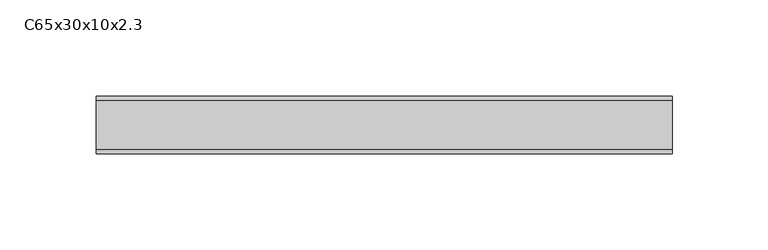
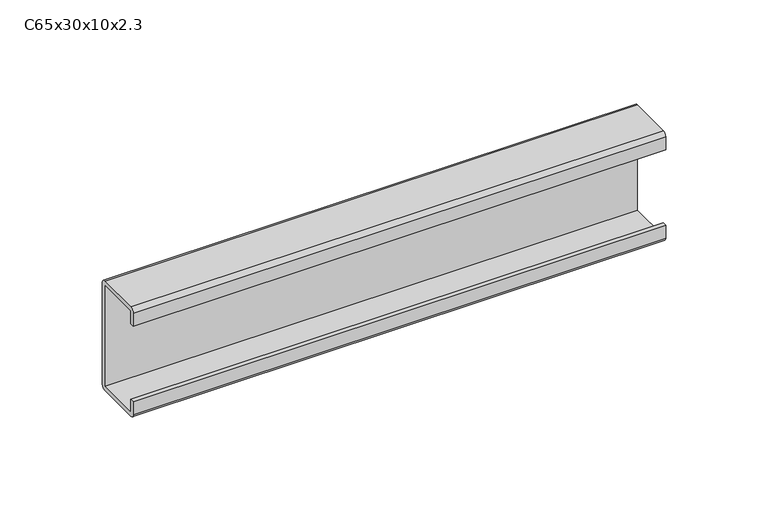
"""IFC4 building model written with IfcOpenShell, lengths in millimetres: proxy geometry, C65x30x10x2.3."""

import ifcopenshell
import ifcopenshell.guid

model = None  # the IFC model being written
_history = None  # IfcOwnerHistory: only IFC2X3 demands one
_inside = {}  # id of a spatial element -> (the spatial element, [elements in it])
_under = {}  # id of a project, library or spatial element -> (it, [spatial elements below it])
_declared = {}  # id of a project -> (the project, [libraries it declares])
_typed = {}  # id of a type object -> (the type object, [elements of that type])
_made_of = {}  # id of a material, layer set ... -> (it, [elements and type objects made of it])


def new_model(schema):
    """Start an empty IFC model of exactly this schema.

    Asked for "IFC4X3", IfcOpenShell would pick the latest addendum, in which some entities
    have other attributes; the version numbers below select the first issue.
    IFC2X3 requires an IfcOwnerHistory on every rooted entity: one is made here for all.
    """
    global model, _history
    if schema == "IFC4X3":
        model = ifcopenshell.file(schema_version=(4, 3, 0, 0))
    else:
        model = ifcopenshell.file(schema=schema)
    _inside.clear()
    _under.clear()
    _declared.clear()
    _typed.clear()
    _made_of.clear()
    _history = None
    if model.schema == "IFC2X3":
        org = make("IfcOrganization", Name="unknown")
        user = make(
            "IfcPersonAndOrganization",
            ThePerson=make("IfcPerson", FamilyName="unknown"),
            TheOrganization=org,
        )
        app = make(
            "IfcApplication",
            ApplicationDeveloper=org,
            Version="unknown",
            ApplicationFullName="unknown",
            ApplicationIdentifier="unknown",
        )
        _history = make(
            "IfcOwnerHistory",
            OwningUser=user,
            OwningApplication=app,
            ChangeAction="ADDED",
            CreationDate=0,
        )
    return model


def make(cls, **values):
    """One entity of the class cls with the attributes given. An attribute that is None is left unset."""
    return model.create_entity(
        cls, **{name: value for name, value in values.items() if value is not None}
    )


def rooted(cls, **values):
    """An entity with a GlobalId (a new one), such as an element, a storey or a relation."""
    return make(cls, GlobalId=ifcopenshell.guid.new(), OwnerHistory=_history, **values)


def si_unit(unit_type, name, prefix=None):
    """IfcSIUnit, for example si_unit("LENGTHUNIT", "METRE", prefix="MILLI")."""
    return make("IfcSIUnit", UnitType=unit_type, Prefix=prefix, Name=name)


def assignment(units):
    """IfcUnitAssignment: the units of a project."""
    return None if units is None else make("IfcUnitAssignment", Units=units)


def point(xyz):
    """IfcCartesianPoint."""
    return None if xyz is None else make("IfcCartesianPoint", Coordinates=xyz)


def direction(xyz):
    """IfcDirection."""
    return None if xyz is None else make("IfcDirection", DirectionRatios=xyz)


def frame(location, z_axis=None, x_axis=None):
    """IfcAxis2Placement3D, a coordinate frame: its origin and axes. An axis left out is left unset."""
    return make(
        "IfcAxis2Placement3D",
        Location=point(location),
        Axis=direction(z_axis),
        RefDirection=direction(x_axis),
    )


def frame_2d(location, x_axis=None):
    """IfcAxis2Placement2D, a coordinate frame in the plane: its origin and x axis."""
    return make(
        "IfcAxis2Placement2D", Location=point(location), RefDirection=direction(x_axis)
    )


def origin():
    """The frame at (0, 0, 0) with its axes left unset."""
    return frame((0.0, 0.0, 0.0))


def place(relative_to, where):
    """IfcLocalPlacement: puts the frame where relative to a parent placement (None: the world)."""
    return make(
        "IfcLocalPlacement", PlacementRelTo=relative_to, RelativePlacement=where
    )


def context(
    kind, dimensions, precision=None, world=None, true_north=None, identifier=None
):
    """IfcGeometricRepresentationContext, for example the 3D "Model" context."""
    return make(
        "IfcGeometricRepresentationContext",
        ContextIdentifier=identifier,
        ContextType=kind,
        CoordinateSpaceDimension=dimensions,
        Precision=precision,
        WorldCoordinateSystem=world,
        TrueNorth=true_north,
    )


def project(units=None, contexts=None):
    """IfcProject with its units and contexts."""
    return rooted(
        "IfcProject",
        Name="project",
        RepresentationContexts=contexts,
        UnitsInContext=assignment(units),
    )


def spatial(cls, under=None, at=None, **own):
    """A site, building, storey or space (cls), placed at a placement, below another one or the project."""
    s = rooted(cls, ObjectPlacement=at, **own)
    if under is not None:
        _under.setdefault(under.id(), (under, []))[1].append(s)
    return s


def polyline(points):
    """IfcPolyline through the points."""
    return make("IfcPolyline", Points=[point(p) for p in points])


def circle_curve(where, radius):
    """IfcCircle in the frame where."""
    return make("IfcCircle", Position=where, Radius=radius)


def trimmed(basis, trim1, trim2, sense, master):
    """IfcTrimmedCurve: the piece of a basis curve between two trims."""
    return make(
        "IfcTrimmedCurve",
        BasisCurve=basis,
        Trim1=trim1,
        Trim2=trim2,
        SenseAgreement=sense,
        MasterRepresentation=master,
    )


def segment(curve, same_sense, transition):
    """IfcCompositeCurveSegment."""
    return make(
        "IfcCompositeCurveSegment",
        Transition=transition,
        SameSense=same_sense,
        ParentCurve=curve,
    )


def composite_curve(segments, self_intersect=None):
    """IfcCompositeCurve: segments joined end to end."""
    return make("IfcCompositeCurve", Segments=segments, SelfIntersect=self_intersect)


def outline(outer, holes=None, kind="AREA"):
    """IfcArbitraryClosedProfileDef: a profile drawn as a closed curve; with holes, ...WithVoids."""
    if holes is None:
        return make("IfcArbitraryClosedProfileDef", ProfileType=kind, OuterCurve=outer)
    return make(
        "IfcArbitraryProfileDefWithVoids",
        ProfileType=kind,
        OuterCurve=outer,
        InnerCurves=holes,
    )


def extrude(swept, where, along, depth):
    """IfcExtrudedAreaSolid: the profile swept, set in the frame where, extruded along a direction by depth."""
    return make(
        "IfcExtrudedAreaSolid",
        SweptArea=swept,
        Position=where,
        ExtrudedDirection=direction(along),
        Depth=depth,
    )


def shape(context_of_items, identifier, shape_type, items):
    """IfcShapeRepresentation: the items that make up one representation, for example the "Body"."""
    return make(
        "IfcShapeRepresentation",
        ContextOfItems=context_of_items,
        RepresentationIdentifier=identifier,
        RepresentationType=shape_type,
        Items=items,
    )


def source(mapping_origin, context_of_items, identifier, shape_type, items):
    """IfcRepresentationMap: a shape defined once, which mapped items show again and again."""
    return make(
        "IfcRepresentationMap",
        MappingOrigin=mapping_origin,
        MappedRepresentation=shape(context_of_items, identifier, shape_type, items),
    )


def transform(
    local_origin,
    x_axis=None,
    y_axis=None,
    z_axis=None,
    scale=None,
    scale2=None,
    scale3=None,
    uniform=True,
):
    """IfcCartesianTransformationOperator3D, or its non-uniform kind. x_axis, y_axis, z_axis: its Axis1, 2, 3."""
    if uniform:
        return make(
            "IfcCartesianTransformationOperator3D",
            Axis1=direction(x_axis),
            Axis2=direction(y_axis),
            LocalOrigin=point(local_origin),
            Scale=scale,
            Axis3=direction(z_axis),
        )
    return make(
        "IfcCartesianTransformationOperator3DnonUniform",
        Axis1=direction(x_axis),
        Axis2=direction(y_axis),
        LocalOrigin=point(local_origin),
        Scale=scale,
        Axis3=direction(z_axis),
        Scale2=scale2,
        Scale3=scale3,
    )


def mapped(mapping_source, mapping_target):
    """IfcMappedItem: shows the shape of a source again, moved by a transform."""
    return make(
        "IfcMappedItem", MappingSource=mapping_source, MappingTarget=mapping_target
    )


def made_of(thing, what):
    """Note that an element or type object is made of a material, layer set ...; save() writes the relation."""
    if what is not None:
        _made_of.setdefault(what.id(), (what, []))[1].append(thing)
    return thing


def element(
    cls,
    number,
    at=None,
    inside=None,
    cuts=None,
    type_object=None,
    material=None,
    context=None,
    identifier="Body",
    shape_type=None,
    held_by="IfcProductDefinitionShape",
    body=None,
    shapes=None,
    **own,
):
    """One element of the class cls, such as IfcWall. Its Tag is "e" and its number.

    at: its placement. inside: the storey or other place that contains it. cuts: it is an
    opening in that element (IfcRelVoidsElement). A single representation is given by context,
    identifier, shape_type and body (its items); several are given by shapes. held_by: the class
    of the entity that holds the representations. save() writes the other relations.
    """
    e = rooted(cls, Tag="e%d" % number, ObjectPlacement=at, **own)
    if body is not None:
        shapes = [shape(context, identifier, shape_type, body)]
    if shapes is not None:
        e.Representation = make(held_by, Representations=shapes)
    if inside is not None:
        _inside.setdefault(inside.id(), (inside, []))[1].append(e)
    if cuts is not None:
        rooted(
            "IfcRelVoidsElement", RelatingBuildingElement=cuts, RelatedOpeningElement=e
        )
    if type_object is not None:
        _typed.setdefault(type_object.id(), (type_object, []))[1].append(e)
    return made_of(e, material)


def aggregate(whole, parts):
    """IfcRelAggregates: a whole, such as a stair, and the parts it consists of."""
    return rooted("IfcRelAggregates", RelatingObject=whole, RelatedObjects=parts)


def save(model, path):
    """Write the relations noted so far, then the file.

    IfcRelAggregates (storeys below a building ...), IfcRelContainedInSpatialStructure (elements
    in a storey), IfcRelDefinesByType, IfcRelAssociatesMaterial and IfcRelDeclares: one each for
    every whole, place, type object, material and project.
    """
    for whole, parts in _under.values():
        aggregate(whole, parts)
    for where, things in _inside.values():
        rooted(
            "IfcRelContainedInSpatialStructure",
            RelatedElements=things,
            RelatingStructure=where,
        )
    for kind, things in _typed.values():
        rooted("IfcRelDefinesByType", RelatedObjects=things, RelatingType=kind)
    for what, things in _made_of.values():
        rooted("IfcRelAssociatesMaterial", RelatedObjects=things, RelatingMaterial=what)
    for by, libraries in _declared.values():
        rooted("IfcRelDeclares", RelatingContext=by, RelatedDefinitions=libraries)
    model.write(path)


def c65x30x10x2_3_e9a42ff3(model_context):
    return source(origin(), model_context, "Body", "SweptSolid", [
        extrude(outline(composite_curve([segment(polyline([(-15.0, -10.0), (-15.0, -2.3)]), True, "CONTINUOUS"), segment(trimmed(circle_curve(frame_2d((-12.7, -2.3)), 2.3), [point((-15.0, -2.3))], [point((-12.7, 0.0))], False, "CARTESIAN"), True, "CONTINUOUS"), segment(polyline([(-12.7, 0.0), (12.7, 0.0)]), True, "CONTINUOUS"), segment(trimmed(circle_curve(frame_2d((12.7, -2.3)), 2.3), [point((12.7, 0.0))], [point((15.0, -2.3))], False, "CARTESIAN"), True, "CONTINUOUS"), segment(polyline([(15.0, -2.3), (15.0, -62.7)]), True, "CONTINUOUS"), segment(trimmed(circle_curve(frame_2d((12.7, -62.7)), 2.3), [point((15.0, -62.7))], [point((12.7, -65.0))], False, "CARTESIAN"), True, "CONTINUOUS"), segment(polyline([(12.7, -65.0), (-12.7, -65.0)]), True, "CONTINUOUS"), segment(trimmed(circle_curve(frame_2d((-12.7, -62.7)), 2.3), [point((-12.7, -65.0))], [point((-15.0, -62.7))], False, "CARTESIAN"), True, "CONTINUOUS"), segment(polyline([(-15.0, -62.7), (-15.0, -55.0), (-12.7, -55.0), (-12.7, -62.7), (12.7, -62.7), (12.7, -2.3), (-12.7, -2.3), (-12.7, -10.0), (-15.0, -10.0)]), True, "CONTINUOUS")], self_intersect=False)), frame((0.0, 0.0, 0.0), z_axis=(1.0, 0.0, 0.0), x_axis=(0.0, 1.0, 0.0)), (0.0, 0.0, 1.0), 300.0),
    ])


if __name__ == "__main__":
    model = new_model("IFC4")
    model_context = context("Model", 3, world=origin())
    ifc_project = project(units=[si_unit("LENGTHUNIT", "METRE", prefix="MILLI")], contexts=[model_context])
    site = spatial("IfcSite", under=ifc_project)
    building = spatial("IfcBuilding", under=site)
    placement = place(None, origin())
    c65x30x10x2_3_shape = c65x30x10x2_3_e9a42ff3(model_context)
    element("IfcBuildingElementProxy", 1, Name="C65x30x10x2.3", ObjectType="C65x30x10x2.3", at=placement, inside=building, context=model_context, shape_type="MappedRepresentation", body=[
        mapped(c65x30x10x2_3_shape, transform((0.0, 0.0, 0.0), x_axis=(1.0, 0.0, 0.0), y_axis=(0.0, 1.0, 0.0), z_axis=(0.0, 0.0, 1.0))),
    ])
    save(model, "model.ifc")
